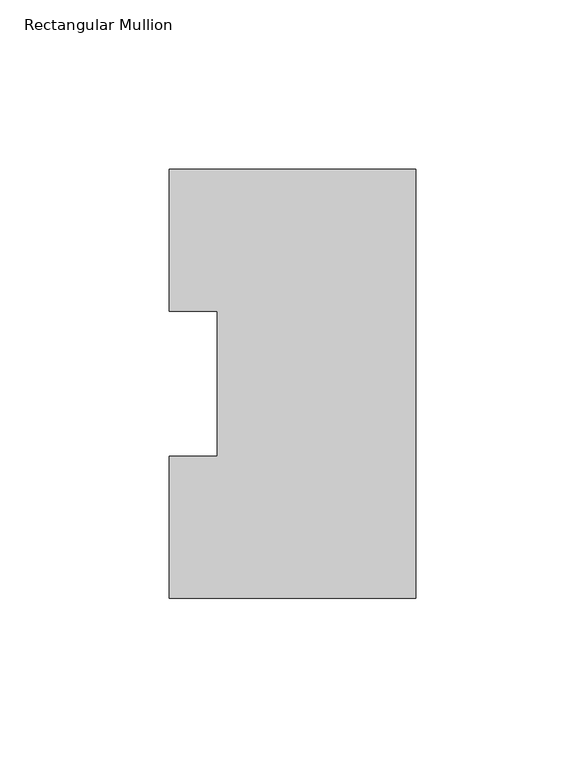
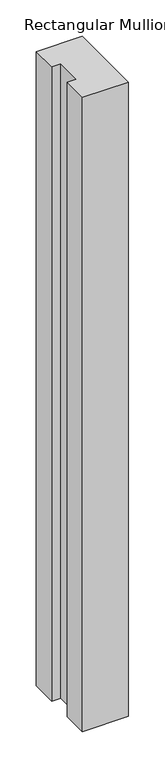
"""IFC4 building model written with IfcOpenShell, lengths in millimetres: member geometry, Rectangular Mullion."""

from ifc_helpers import new_model, si_unit, frame, origin, place, context, project, spatial, polyline, outline, extrude, source, transform, mapped, element, save


def rectangular_mullion_2c76752a(model_context):
    return source(origin(), model_context, "Body", "SweptSolid", [
        extrude(outline(polyline([(0.0, 126.7086937), (0.0, -0.2913063), (-73.025, -0.2913063), (-73.025, 41.7837937), (-58.7375, 41.7837937), (-58.7375, 84.6335938), (-73.025, 84.6335938), (-73.025, 126.7086937), (0.0, 126.7086937)])), frame((0.0, 0.0, -1066.80635), z_axis=(0.0, 0.0, 1.0), x_axis=(1.0, 0.0, 0.0)), (0.0, 0.0, 1.0), 1066.80635),
    ])


if __name__ == "__main__":
    model = new_model("IFC4")
    model_context = context("Model", 3, world=origin())
    ifc_project = project(units=[si_unit("LENGTHUNIT", "METRE", prefix="MILLI")], contexts=[model_context])
    site = spatial("IfcSite", under=ifc_project)
    building = spatial("IfcBuilding", under=site)
    placement = place(None, origin())
    rectangular_mullion_shape = rectangular_mullion_2c76752a(model_context)
    element("IfcMember", 1, ObjectType="Rectangular Mullion", at=placement, inside=building, context=model_context, shape_type="MappedRepresentation", body=[
        mapped(rectangular_mullion_shape, transform((0.0, 0.0, 0.0), x_axis=(1.0, 0.0, 0.0), y_axis=(0.0, 1.0, 0.0), z_axis=(0.0, 0.0, 1.0))),
    ])
    save(model, "model.ifc")
